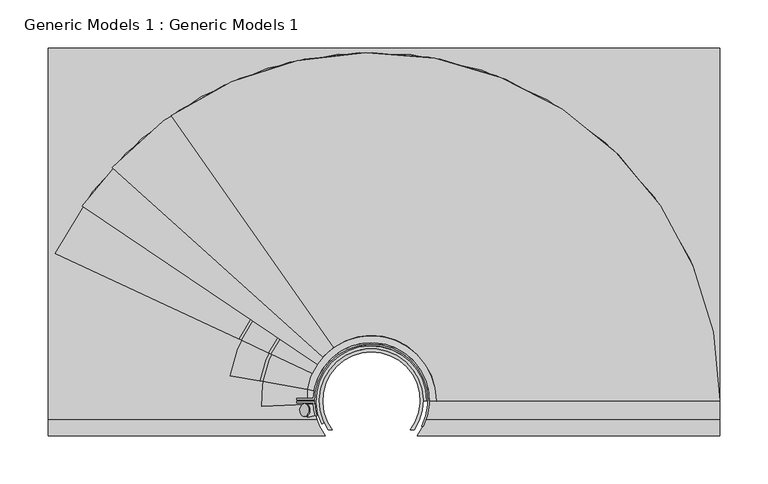
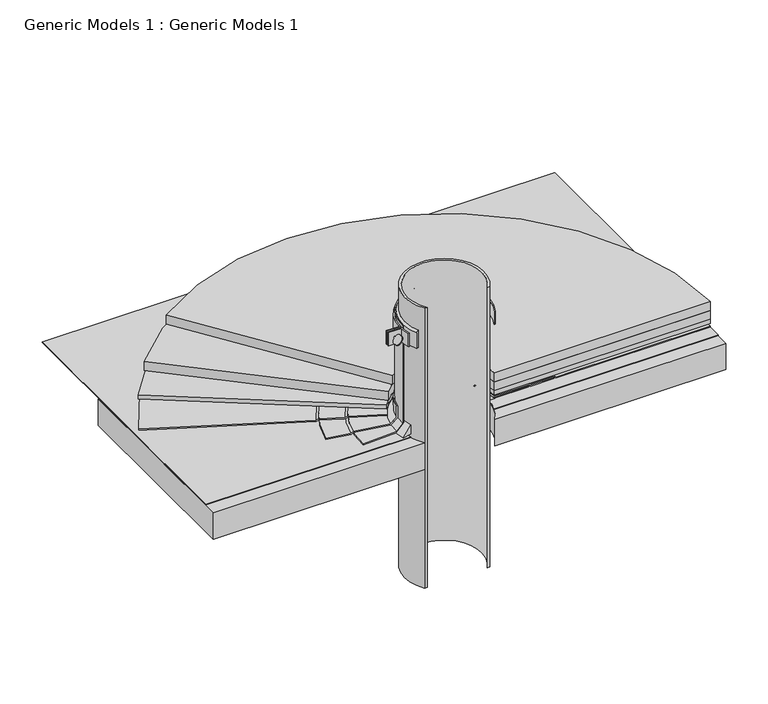
"""IFC4 building model written with IfcOpenShell, lengths in millimetres: proxy geometry, Generic Models 1 : Generic Models 1."""

from ifc_helpers import new_model, si_unit, point, frame, frame_2d, origin, place, context, project, spatial, polyline, circle_curve, ellipse_curve, trimmed, segment, composite_curve, outline, extrude, source, transform, mapped, element, save
from ifc_brep_helpers import plane_surface, cylinder_surface, revolved_surface, advanced_brep


def generic_models_1_generic_models_1_176c2abe(model_context):
    return source(origin(), model_context, "Body", "SolidModel", [
        extrude(outline(composite_curve([segment(trimmed(circle_curve(frame_2d((24.9249503, 26.8183165)), 362.4250497), [point((-182.9535181, 323.6995368))], [point((387.35, 26.8183165))], False, "CARTESIAN"), True, "CONTINUOUS"), segment(polyline([(387.35, 26.8183165), (92.8372607, 26.8183165)]), True, "CONTINUOUS"), segment(trimmed(circle_curve(frame_2d((24.9249503, 26.8183165)), 67.9123104), [point((92.8372607, 26.8183165))], [point((-14.0279507, 82.4488244))], True, "CARTESIAN"), True, "CONTINUOUS"), segment(polyline([(-14.0279507, 82.4488244), (-182.9535181, 323.6995368)]), True, "CONTINUOUS")], self_intersect=False)), frame((0.0, 0.0, 391.777659), z_axis=(0.0, 0.0, 1.0), x_axis=(1.0, 0.0, 0.0)), (0.0, 0.0, 1.0), 12.7),
        extrude(outline(composite_curve([segment(trimmed(circle_curve(frame_2d((24.9249503, 26.8183165)), 362.4250497), [point((-244.40935, 269.3280097))], [point((387.35, 26.8183165))], False, "CARTESIAN"), True, "CONTINUOUS"), segment(polyline([(387.35, 26.8183165), (92.8372607, 26.8183165)]), True, "CONTINUOUS"), segment(trimmed(circle_curve(frame_2d((24.9249503, 26.8183165)), 67.9123104), [point((92.8372607, 26.8183165))], [point((-25.5437317, 72.2605219))], True, "CARTESIAN"), True, "CONTINUOUS"), segment(polyline([(-25.5437317, 72.2605219), (-244.40935, 269.3280097)]), True, "CONTINUOUS")], self_intersect=False)), frame((0.0, 0.0, 379.077659), z_axis=(0.0, 0.0, 1.0), x_axis=(1.0, 0.0, 0.0)), (0.0, 0.0, 1.0), 12.7),
        extrude(outline(composite_curve([segment(trimmed(circle_curve(frame_2d((24.9249503, 26.8183165)), 362.4250497), [point((-275.5390331, 229.4838323))], [point((387.35, 26.8183165))], False, "CARTESIAN"), True, "CONTINUOUS"), segment(polyline([(387.35, 26.8183165), (92.8372607, 26.8183165)]), True, "CONTINUOUS"), segment(trimmed(circle_curve(frame_2d((24.9249503, 26.8183165)), 67.9123104), [point((92.8372607, 26.8183165))], [point((-31.3769066, 64.7943985))], True, "CARTESIAN"), True, "CONTINUOUS"), segment(polyline([(-31.3769066, 64.7943985), (-275.5390331, 229.4838323)]), True, "CONTINUOUS")], self_intersect=False)), frame((0.0, 0.0, 372.727659), z_axis=(0.0, 0.0, 1.0), x_axis=(1.0, 0.0, 0.0)), (0.0, 0.0, 1.0), 6.35),
        extrude(outline(composite_curve([segment(polyline([(-311.15, 261.3017557), (387.35, 261.3017557), (387.35, -9.6330364), (72.7898052, -9.6330364)]), True, "CONTINUOUS"), segment(trimmed(circle_curve(frame_2d((24.9249503, 26.8183165)), 60.1643206), [point((72.7898052, -9.6330364))], [point((-22.9399046, -9.6330364))], True, "CARTESIAN"), True, "CONTINUOUS"), segment(polyline([(-22.9399046, -9.6330364), (-311.15, -9.6330364), (-311.15, 261.3017557)]), True, "CONTINUOUS")], self_intersect=False)), frame((0.0, 0.0, 328.1998414), z_axis=(0.0, 0.0, 1.0), x_axis=(1.0, 0.0, 0.0)), (0.0, 0.0, 1.0), 38.1),
        extrude(outline(composite_curve([segment(trimmed(circle_curve(frame_2d((7.0940263, -1.1482682)), 6.6136328), [point((0.5808383, 0.0))], [point((0.5808383, -2.2965365))], False, "CARTESIAN"), True, "CONTINUOUS"), segment(polyline([(0.5808383, -2.2965365), (-0.2871582, -2.2965365), (-0.2871582, 0.0), (0.5808383, 0.0)]), True, "CONTINUOUS")], self_intersect=False)), frame((-42.7345771, 24.1499083, 506.1139344), z_axis=(-0.7071067811865462, 0.0, 0.7071067811865489), x_axis=(0.0, -1.0, 0.0)), (0.0, 0.0, 1.0), 1.5875),
        extrude(outline(composite_curve([segment(polyline([(-33.8071863, 27.6120665), (-52.8625497, 27.6120665), (-52.8625497, 29.1995665), (-35.353033, 29.1995665)]), True, "CONTINUOUS"), segment(trimmed(circle_curve(frame_2d((24.9249503, 26.8183165)), 60.325), [point((-35.353033, 29.1995665))], [point((78.9608969, 0.0))], False, "CARTESIAN"), True, "CONTINUOUS"), segment(polyline([(78.9608969, 0.0), (77.1826943, 0.0)]), True, "CONTINUOUS"), segment(trimmed(circle_curve(frame_2d((24.9249503, 26.8183165)), 58.7375), [point((77.1826943, 0.0))], [point((-33.8071863, 27.6120665))], True, "CARTESIAN"), True, "CONTINUOUS")], self_intersect=False)), frame((0.0, 0.0, 496.1427696), z_axis=(0.0, 0.0, 1.0), x_axis=(1.0, 0.0, 0.0)), (0.0, 0.0, 1.0), 19.05),
        extrude(outline(composite_curve([segment(trimmed(circle_curve(frame_2d((24.9249503, 26.8183165)), 60.325), [point((-33.3196456, 11.1125))], [point((-35.353033, 24.4370665))], False, "CARTESIAN"), True, "CONTINUOUS"), segment(polyline([(-35.353033, 24.4370665), (-52.8625497, 24.4370665), (-52.8625497, 26.0245665), (-33.8071863, 26.0245665)]), True, "CONTINUOUS"), segment(trimmed(circle_curve(frame_2d((24.9249503, 26.8183165)), 58.7375), [point((-33.8071863, 26.0245665))], [point((-31.6738238, 11.1125))], True, "CARTESIAN"), True, "CONTINUOUS"), segment(polyline([(-31.6738238, 11.1125), (-33.3196456, 11.1125)]), True, "CONTINUOUS")], self_intersect=False)), frame((0.0, 0.0, 496.1427696), z_axis=(0.0, 0.0, 1.0), x_axis=(1.0, 0.0, 0.0)), (0.0, 0.0, 1.0), 19.05),
        advanced_brep(
        [(78.8999503, 26.8183165, 520.9252815), (78.8999503, 26.8183165, 496.0797882), (82.0749503, 26.8183165, 496.0797882), (82.0749503, 26.8183165, 518.7101114), (-23.9930125, 4.0074958, 520.9252815), (-26.8705397, 2.6656828, 518.7101114), (-26.8705397, 2.6656828, 496.0797882), (-23.9930125, 4.0074958, 496.0797882)],
        [
            (0, 1),
            (1, 2),
            (2, 3),
            (3, 0, circle_curve(frame((77.9949597, 26.8183165, 516.2452133), z_axis=(0.0, -1.0, 0.0), x_axis=(1.0, 0.0, 0.0)), 4.7667648)),
            (4, 5, circle_curve(frame((-23.1728124, 4.3899614, 516.2452133), z_axis=(0.42261826174069284, -0.906307787036653, 0.0), x_axis=(-0.906307787036653, -0.42261826174069284, 0.0)), 4.7667648)),
            (5, 6),
            (6, 7),
            (7, 4),
            (7, 1, circle_curve(frame((24.9249503, 26.8183165, 496.0797882), z_axis=(0.0, 0.0, -1.0), x_axis=(1.0, 0.0, 0.0)), 53.975)),
            (0, 4, circle_curve(frame((24.9249503, 26.8183165, 520.9252815), z_axis=(0.0, 0.0, 1.0), x_axis=(1.0, 0.0, 0.0)), 53.975)),
            (6, 2, circle_curve(frame((24.9249503, 26.8183165, 496.0797882), z_axis=(0.0, 0.0, -1.0), x_axis=(1.0, 0.0, 0.0)), 57.15)),
            (5, 3, circle_curve(frame((24.9249503, 26.8183165, 518.7101114), z_axis=(0.0, 0.0, -1.0), x_axis=(1.0, 0.0, 0.0)), 57.15)),
        ],
        [
            plane_surface(frame((24.9249503, 26.8183165, 553.3315424), z_axis=(0.0, -1.0, 0.0), x_axis=(1.0, 0.0, 0.0))),
            plane_surface(frame((24.9249503, 26.8183165, 553.3315424), z_axis=(0.42261826174069284, -0.9063077870366532, 0.0), x_axis=(-0.9063077870366532, -0.42261826174069284, 0.0))),
            revolved_surface(polyline([(78.8999503, 26.8183165, 520.9252815), (78.8999503, 26.8183165, 496.0797882)]), (24.9249503, 26.8183165, 553.3315424), (0.0, 0.0, 1.0)),
            plane_surface(frame((24.9249503, 26.8183165, 496.0797882), z_axis=(0.0, 0.0, -1.0), x_axis=(1.0, 0.0, 0.0))),
            cylinder_surface(frame((24.9249503, 26.8183165, 553.3315424), z_axis=(0.0, 0.0, 1.0), x_axis=(1.0, 0.0, 0.0)), 57.15),
            revolved_surface(trimmed(ellipse_curve(frame((77.9949597, 26.8183165, 516.2452133), z_axis=(0.0, -1.0, 0.0), x_axis=(1.0, 0.0, 0.0)), 4.7667648, 4.7667648), [point((82.0749503, 26.8183165, 518.7101114))], [point((78.8999503, 26.8183165, 520.9252815))], True, "CARTESIAN"), (24.9249503, 26.8183165, 553.3315424), (0.0, 0.0, 1.0)),
        ],
        [
            (0, [[1, 2, 3, 4]]),
            (1, [[5, 6, 7, 8]]),
            (2, [[9, -1, 10, -8]]),
            (3, [[11, -2, -9, -7]]),
            (4, [[12, -3, -11, -6]]),
            (5, [[-10, -4, -12, -5]]),
        ],
    ),
        advanced_brep(
        [(139.6503197, 26.8183165, 371.140159), (142.5347345, 26.8183165, 369.4748414), (173.8593651, 26.8183165, 369.4748414), (176.74378, 26.8183165, 367.8095237), (387.35, 26.8183165, 367.8095237), (387.35, 26.8183165, 369.3970237), (177.1691493, 26.8183165, 369.3970237), (174.2847345, 26.8183165, 371.0623414), (142.9601038, 26.8183165, 371.0623414), (140.075689, 26.8183165, 372.727659), (92.8372607, 26.8183165, 372.727659), (92.8372607, 26.8183165, 371.140159), (-79.0515453, 75.3033527, 371.140159), (-36.6245054, 55.5192991, 371.140159), (-36.6245054, 55.5192991, 372.727659), (-79.4370608, 75.4831215, 372.727659), (-82.0512285, 76.7021279, 371.0623414), (-110.4409852, 89.9404889, 371.0623414), (-113.0551528, 91.1594952, 369.3970237), (-303.5436944, 179.985761, 369.3970237), (-303.5436944, 179.985761, 367.8095237), (-112.6696372, 90.9797264, 367.8095237), (-110.0554696, 89.76072, 369.4748414), (-81.6657129, 76.522359, 369.4748414)],
        [
            (0, 1),
            (1, 2),
            (2, 3),
            (3, 4),
            (4, 5),
            (5, 6),
            (6, 7),
            (7, 8),
            (8, 9),
            (9, 10),
            (10, 11),
            (11, 0),
            (12, 13),
            (13, 14),
            (14, 15),
            (15, 16),
            (16, 17),
            (17, 18),
            (18, 19),
            (19, 20),
            (20, 21),
            (21, 22),
            (22, 23),
            (23, 12),
            (22, 2, circle_curve(frame((24.9249503, 26.8183165, 369.4748414), z_axis=(0.0, 0.0, -1.0), x_axis=(1.0, 0.0, 0.0)), 148.9344148)),
            (1, 23, circle_curve(frame((24.9249503, 26.8183165, 369.4748414), z_axis=(0.0, 0.0, 1.0), x_axis=(1.0, 0.0, 0.0)), 117.6097842)),
            (0, 12, circle_curve(frame((24.9249503, 26.8183165, 371.140159), z_axis=(0.0, 0.0, 1.0), x_axis=(1.0, 0.0, 0.0)), 114.7253693)),
            (11, 13, circle_curve(frame((24.9249503, 26.8183165, 371.140159), z_axis=(0.0, 0.0, 1.0), x_axis=(1.0, 0.0, 0.0)), 67.9123104)),
            (21, 3, circle_curve(frame((24.9249503, 26.8183165, 367.8095237), z_axis=(0.0, 0.0, -1.0), x_axis=(1.0, 0.0, 0.0)), 151.8188297)),
            (20, 4, circle_curve(frame((24.9249503, 26.8183165, 367.8095237), z_axis=(0.0, 0.0, -1.0), x_axis=(1.0, 0.0, 0.0)), 362.4250497)),
            (19, 5, circle_curve(frame((24.9249503, 26.8183165, 369.3970237), z_axis=(0.0, 0.0, -1.0), x_axis=(1.0, 0.0, 0.0)), 362.4250497)),
            (18, 6, circle_curve(frame((24.9249503, 26.8183165, 369.3970237), z_axis=(0.0, 0.0, -1.0), x_axis=(1.0, 0.0, 0.0)), 152.244199)),
            (17, 7, circle_curve(frame((24.9249503, 26.8183165, 371.0623414), z_axis=(0.0, 0.0, -1.0), x_axis=(1.0, 0.0, 0.0)), 149.3597842)),
            (16, 8, circle_curve(frame((24.9249503, 26.8183165, 371.0623414), z_axis=(0.0, 0.0, -1.0), x_axis=(1.0, 0.0, 0.0)), 118.0351535)),
            (15, 9, circle_curve(frame((24.9249503, 26.8183165, 372.727659), z_axis=(0.0, 0.0, -1.0), x_axis=(1.0, 0.0, 0.0)), 115.1507387)),
            (14, 10, circle_curve(frame((24.9249503, 26.8183165, 372.727659), z_axis=(0.0, 0.0, -1.0), x_axis=(1.0, 0.0, 0.0)), 67.9123104)),
        ],
        [
            plane_surface(frame((24.9249503, 26.8183165, 553.3315424), z_axis=(0.0, -1.0, 0.0), x_axis=(1.0, 0.0, 0.0))),
            plane_surface(frame((24.9249503, 26.8183165, 553.3315424), z_axis=(-0.42261826174070477, -0.9063077870366475, 0.0), x_axis=(-0.9063077870366475, 0.42261826174070477, 0.0))),
            plane_surface(frame((24.9249503, 26.8183165, 369.4748414), z_axis=(0.0, 0.0, -1.0), x_axis=(1.0, 0.0, 0.0))),
            revolved_surface(polyline([(139.6503197, 26.8183165, 371.140159), (142.5347345, 26.8183165, 369.4748414)]), (24.9249503, 26.8183165, 553.3315424), (0.0, 0.0, 1.0)),
            plane_surface(frame((24.9249503, 26.8183165, 371.140159), z_axis=(0.0, 0.0, -1.0), x_axis=(1.0, 0.0, 0.0))),
            revolved_surface(polyline([(173.8593651, 26.8183165, 369.4748414), (176.74378, 26.8183165, 367.8095237)]), (24.9249503, 26.8183165, 553.3315424), (0.0, 0.0, 1.0)),
            plane_surface(frame((24.9249503, 26.8183165, 367.8095237), z_axis=(0.0, 0.0, -1.0), x_axis=(1.0, 0.0, 0.0))),
            cylinder_surface(frame((24.9249503, 26.8183165, 553.3315424), z_axis=(0.0, 0.0, 1.0), x_axis=(1.0, 0.0, 0.0)), 362.4250497),
            plane_surface(frame((24.9249503, 26.8183165, 369.3970237), z_axis=(0.0, 0.0, 1.0), x_axis=(1.0, 0.0, 0.0))),
            revolved_surface(polyline([(177.1691493, 26.8183165, 369.3970237), (174.2847345, 26.8183165, 371.0623414)]), (24.9249503, 26.8183165, 553.3315424), (0.0, 0.0, 1.0)),
            plane_surface(frame((24.9249503, 26.8183165, 371.0623414), z_axis=(0.0, 0.0, 1.0), x_axis=(1.0, 0.0, 0.0))),
            revolved_surface(polyline([(142.9601038, 26.8183165, 371.0623414), (140.075689, 26.8183165, 372.727659)]), (24.9249503, 26.8183165, 553.3315424), (0.0, 0.0, 1.0)),
            plane_surface(frame((24.9249503, 26.8183165, 372.727659), z_axis=(0.0, 0.0, 1.0), x_axis=(1.0, 0.0, 0.0))),
            revolved_surface(polyline([(92.8372607, 26.8183165, 372.727659), (92.8372607, 26.8183165, 371.140159)]), (24.9249503, 26.8183165, 553.3315424), (0.0, 0.0, 1.0)),
        ],
        [
            (0, [[1, 2, 3, 4, 5, 6, 7, 8, 9, 10, 11, 12]]),
            (1, [[13, 14, 15, 16, 17, 18, 19, 20, 21, 22, 23, 24]]),
            (2, [[25, -2, 26, -23]]),
            (3, [[-26, -1, 27, -24]]),
            (4, [[-27, -12, 28, -13]]),
            (5, [[29, -3, -25, -22]]),
            (6, [[30, -4, -29, -21]]),
            (7, [[31, -5, -30, -20]]),
            (8, [[32, -6, -31, -19]]),
            (9, [[33, -7, -32, -18]]),
            (10, [[34, -8, -33, -17]]),
            (11, [[35, -9, -34, -16]]),
            (12, [[36, -10, -35, -15]]),
            (13, [[-28, -11, -36, -14]]),
        ],
    ),
        advanced_brep(
        [(83.6624503, 26.8183165, 378.0699054), (92.1796967, 26.8183165, 369.552659), (139.2249503, 26.8183165, 369.552659), (142.1093651, 26.8183165, 367.8873414), (173.8593651, 26.8183165, 367.8873414), (173.8593651, 26.8183165, 369.4748414), (142.5347345, 26.8183165, 369.4748414), (139.6503197, 26.8183165, 371.140159), (92.8372607, 26.8183165, 371.140159), (85.2499503, 26.8183165, 378.7274694), (85.2499503, 26.8183165, 394.952659), (83.6624503, 26.8183165, 394.952659), (-32.9201951, 37.0179763, 378.0699054), (-32.9201951, 37.0179763, 394.952659), (-34.4835774, 37.2936428, 394.952659), (-34.4835774, 37.2936428, 378.7274694), (-41.9556195, 38.6111654, 371.140159), (-88.0574829, 46.7401678, 371.140159), (-90.898077, 47.2410412, 369.4748414), (-121.7468161, 52.6805062, 369.4748414), (-121.7468161, 52.6805062, 367.8873414), (-90.4791699, 47.1671766, 367.8873414), (-87.6385759, 46.6663032, 369.552659), (-41.3080453, 38.4969806, 369.552659)],
        [
            (0, 1),
            (1, 2),
            (2, 3),
            (3, 4),
            (4, 5),
            (5, 6),
            (6, 7),
            (7, 8),
            (8, 9),
            (9, 10),
            (10, 11),
            (11, 0),
            (12, 13),
            (13, 14),
            (14, 15),
            (15, 16),
            (16, 17),
            (17, 18),
            (18, 19),
            (19, 20),
            (20, 21),
            (21, 22),
            (22, 23),
            (23, 12),
            (22, 2, circle_curve(frame((24.9249503, 26.8183165, 369.552659), z_axis=(0.0, 0.0, -1.0), x_axis=(1.0, 0.0, 0.0)), 114.3)),
            (1, 23, circle_curve(frame((24.9249503, 26.8183165, 369.552659), z_axis=(0.0, 0.0, 1.0), x_axis=(1.0, 0.0, 0.0)), 67.2547464)),
            (0, 12, circle_curve(frame((24.9249503, 26.8183165, 378.0699054), z_axis=(0.0, 0.0, 1.0), x_axis=(1.0, 0.0, 0.0)), 58.7375)),
            (11, 13, circle_curve(frame((24.9249503, 26.8183165, 394.952659), z_axis=(0.0, 0.0, 1.0), x_axis=(1.0, 0.0, 0.0)), 58.7375)),
            (21, 3, circle_curve(frame((24.9249503, 26.8183165, 367.8873414), z_axis=(0.0, 0.0, -1.0), x_axis=(1.0, 0.0, 0.0)), 117.1844148)),
            (20, 4, circle_curve(frame((24.9249503, 26.8183165, 367.8873414), z_axis=(0.0, 0.0, -1.0), x_axis=(1.0, 0.0, 0.0)), 148.9344148)),
            (19, 5, circle_curve(frame((24.9249503, 26.8183165, 369.4748414), z_axis=(0.0, 0.0, -1.0), x_axis=(1.0, 0.0, 0.0)), 148.9344148)),
            (18, 6, circle_curve(frame((24.9249503, 26.8183165, 369.4748414), z_axis=(0.0, 0.0, -1.0), x_axis=(1.0, 0.0, 0.0)), 117.6097842)),
            (17, 7, circle_curve(frame((24.9249503, 26.8183165, 371.140159), z_axis=(0.0, 0.0, -1.0), x_axis=(1.0, 0.0, 0.0)), 114.7253693)),
            (16, 8, circle_curve(frame((24.9249503, 26.8183165, 371.140159), z_axis=(0.0, 0.0, -1.0), x_axis=(1.0, 0.0, 0.0)), 67.9123104)),
            (15, 9, circle_curve(frame((24.9249503, 26.8183165, 378.7274694), z_axis=(0.0, 0.0, -1.0), x_axis=(1.0, 0.0, 0.0)), 60.325)),
            (14, 10, circle_curve(frame((24.9249503, 26.8183165, 394.952659), z_axis=(0.0, 0.0, -1.0), x_axis=(1.0, 0.0, 0.0)), 60.325)),
        ],
        [
            plane_surface(frame((24.9249503, 26.8183165, 553.3315424), z_axis=(0.0, -1.0, 0.0), x_axis=(1.0, 0.0, 0.0))),
            plane_surface(frame((24.9249503, 26.8183165, 553.3315424), z_axis=(-0.17364817766693685, -0.984807753012207, 0.0), x_axis=(-0.984807753012207, 0.17364817766693685, 0.0))),
            plane_surface(frame((24.9249503, 26.8183165, 369.552659), z_axis=(0.0, 0.0, -1.0), x_axis=(1.0, 0.0, 0.0))),
            revolved_surface(polyline([(83.6624503, 26.8183165, 378.0699054), (92.1796967, 26.8183165, 369.552659)]), (24.9249503, 26.8183165, 553.3315424), (0.0, 0.0, 1.0)),
            revolved_surface(polyline([(83.66245029999999, 26.8183165, 394.952659), (83.66245029999999, 26.8183165, 378.0699054)]), (24.9249503, 26.8183165, 553.3315424), (0.0, 0.0, 1.0)),
            revolved_surface(polyline([(139.2249503, 26.8183165, 369.552659), (142.1093651, 26.8183165, 367.8873414)]), (24.9249503, 26.8183165, 553.3315424), (0.0, 0.0, 1.0)),
            plane_surface(frame((24.9249503, 26.8183165, 367.8873414), z_axis=(0.0, 0.0, -1.0), x_axis=(1.0, 0.0, 0.0))),
            cylinder_surface(frame((24.9249503, 26.8183165, 553.3315424), z_axis=(0.0, 0.0, 1.0), x_axis=(1.0, 0.0, 0.0)), 148.9344148),
            plane_surface(frame((24.9249503, 26.8183165, 369.4748414), z_axis=(0.0, 0.0, 1.0), x_axis=(1.0, 0.0, 0.0))),
            revolved_surface(polyline([(142.5347345, 26.8183165, 369.4748414), (139.6503197, 26.8183165, 371.140159)]), (24.9249503, 26.8183165, 553.3315424), (0.0, 0.0, 1.0)),
            plane_surface(frame((24.9249503, 26.8183165, 371.140159), z_axis=(0.0, 0.0, 1.0), x_axis=(1.0, 0.0, 0.0))),
            revolved_surface(polyline([(92.8372607, 26.8183165, 371.140159), (85.2499503, 26.8183165, 378.7274694)]), (24.9249503, 26.8183165, 553.3315424), (0.0, 0.0, 1.0)),
            cylinder_surface(frame((24.9249503, 26.8183165, 553.3315424), z_axis=(0.0, 0.0, 1.0), x_axis=(1.0, 0.0, 0.0)), 60.325),
            plane_surface(frame((24.9249503, 26.8183165, 394.952659), z_axis=(0.0, 0.0, 1.0), x_axis=(1.0, 0.0, 0.0))),
        ],
        [
            (0, [[1, 2, 3, 4, 5, 6, 7, 8, 9, 10, 11, 12]]),
            (1, [[13, 14, 15, 16, 17, 18, 19, 20, 21, 22, 23, 24]]),
            (2, [[25, -2, 26, -23]]),
            (3, [[-26, -1, 27, -24]]),
            (4, [[-27, -12, 28, -13]]),
            (5, [[29, -3, -25, -22]]),
            (6, [[30, -4, -29, -21]]),
            (7, [[31, -5, -30, -20]]),
            (8, [[32, -6, -31, -19]]),
            (9, [[33, -7, -32, -18]]),
            (10, [[34, -8, -33, -17]]),
            (11, [[35, -9, -34, -16]]),
            (12, [[36, -10, -35, -15]]),
            (13, [[-28, -11, -36, -14]]),
        ],
    ),
        advanced_brep(
        [(139.2249503, 26.8183165, 367.965159), (139.2249503, 26.8183165, 369.552659), (92.1796967, 26.8183165, 369.552659), (83.6624503, 26.8183165, 378.0699054), (83.6624503, 26.8183165, 518.7101114), (82.0749503, 26.8183165, 518.7101114), (82.0749503, 26.8183165, 377.4123414), (91.5221326, 26.8183165, 367.965159), (-89.2179094, 20.8268587, 367.965159), (-41.5806739, 23.3273786, 367.965159), (-32.1464796, 23.8225876, 377.4123414), (-32.1464796, 23.8225876, 518.7101114), (-33.7317971, 23.7393729, 518.7101114), (-33.7317971, 23.7393729, 378.0699054), (-42.2373339, 23.2929099, 369.552659), (-89.2179094, 20.8268587, 369.552659)],
        [
            (0, 1),
            (1, 2),
            (2, 3),
            (3, 4),
            (4, 5),
            (5, 6),
            (6, 7),
            (7, 0),
            (8, 9),
            (9, 10),
            (10, 11),
            (11, 12),
            (12, 13),
            (13, 14),
            (14, 15),
            (15, 8),
            (15, 1, circle_curve(frame((24.9249503, 26.8183165, 369.552659), z_axis=(0.0, 0.0, -1.0), x_axis=(1.0, 0.0, 0.0)), 114.3)),
            (0, 8, circle_curve(frame((24.9249503, 26.8183165, 367.965159), z_axis=(0.0, 0.0, 1.0), x_axis=(1.0, 0.0, 0.0)), 114.3)),
            (14, 2, circle_curve(frame((24.9249503, 26.8183165, 369.552659), z_axis=(0.0, 0.0, -1.0), x_axis=(1.0, 0.0, 0.0)), 67.2547464)),
            (13, 3, circle_curve(frame((24.9249503, 26.8183165, 378.0699054), z_axis=(0.0, 0.0, -1.0), x_axis=(1.0, 0.0, 0.0)), 58.7375)),
            (12, 4, circle_curve(frame((24.9249503, 26.8183165, 518.7101114), z_axis=(0.0, 0.0, -1.0), x_axis=(1.0, 0.0, 0.0)), 58.7375)),
            (11, 5, circle_curve(frame((24.9249503, 26.8183165, 518.7101114), z_axis=(0.0, 0.0, -1.0), x_axis=(1.0, 0.0, 0.0)), 57.15)),
            (10, 6, circle_curve(frame((24.9249503, 26.8183165, 377.4123414), z_axis=(0.0, 0.0, -1.0), x_axis=(1.0, 0.0, 0.0)), 57.15)),
            (9, 7, circle_curve(frame((24.9249503, 26.8183165, 367.965159), z_axis=(0.0, 0.0, -1.0), x_axis=(1.0, 0.0, 0.0)), 66.5971823)),
        ],
        [
            plane_surface(frame((24.9249503, 26.8183165, 553.3315424), z_axis=(0.0, -1.0, 0.0), x_axis=(1.0, 0.0, 0.0))),
            plane_surface(frame((24.9249503, 26.8183165, 553.3315424), z_axis=(0.05241870301951153, -0.9986251947421277, 0.0), x_axis=(-0.9986251947421277, -0.05241870301951153, 0.0))),
            cylinder_surface(frame((24.9249503, 26.8183165, 553.3315424), z_axis=(0.0, 0.0, 1.0), x_axis=(1.0, 0.0, 0.0)), 114.3),
            plane_surface(frame((24.9249503, 26.8183165, 369.552659), z_axis=(0.0, 0.0, 1.0), x_axis=(1.0, 0.0, 0.0))),
            revolved_surface(polyline([(92.1796967, 26.8183165, 369.552659), (83.6624503, 26.8183165, 378.0699054)]), (24.9249503, 26.8183165, 553.3315424), (0.0, 0.0, 1.0)),
            cylinder_surface(frame((24.9249503, 26.8183165, 553.3315424), z_axis=(0.0, 0.0, 1.0), x_axis=(1.0, 0.0, 0.0)), 58.7375),
            plane_surface(frame((24.9249503, 26.8183165, 518.7101114), z_axis=(0.0, 0.0, 1.0), x_axis=(1.0, 0.0, 0.0))),
            revolved_surface(polyline([(82.0749503, 26.8183165, 518.7101114), (82.0749503, 26.8183165, 377.4123414)]), (24.9249503, 26.8183165, 553.3315424), (0.0, 0.0, 1.0)),
            revolved_surface(polyline([(82.0749503, 26.8183165, 377.4123414), (91.5221326, 26.8183165, 367.965159)]), (24.9249503, 26.8183165, 553.3315424), (0.0, 0.0, 1.0)),
            plane_surface(frame((24.9249503, 26.8183165, 367.965159), z_axis=(0.0, 0.0, -1.0), x_axis=(1.0, 0.0, 0.0))),
        ],
        [
            (0, [[1, 2, 3, 4, 5, 6, 7, 8]]),
            (1, [[9, 10, 11, 12, 13, 14, 15, 16]]),
            (2, [[17, -1, 18, -16]]),
            (3, [[19, -2, -17, -15]]),
            (4, [[20, -3, -19, -14]]),
            (5, [[21, -4, -20, -13]]),
            (6, [[22, -5, -21, -12]]),
            (7, [[23, -6, -22, -11]]),
            (8, [[24, -7, -23, -10]]),
            (9, [[-18, -8, -24, -9]]),
        ],
    ),
        advanced_brep(
        [(80.4863383, 26.4667976, 380.5873414), (80.4863383, 26.4667976, 367.8873414), (93.1860842, 26.3864504, 367.8873414), (-28.840273, 12.8007502, 380.5873414), (-41.1294669, 9.5967351, 367.8873414), (-28.840273, 12.8007502, 367.8873414)],
        [
            (0, 1),
            (1, 2),
            (2, 0),
            (3, 4),
            (4, 5),
            (5, 3),
            (5, 1, circle_curve(frame((24.9249503, 26.8183165, 367.8873414), z_axis=(0.0, 0.0, -1.0), x_axis=(0.9999799871872431, -0.006326549217469668, 0.0)), 55.5625)),
            (0, 3, circle_curve(frame((24.9249503, 26.8183165, 380.5873414), z_axis=(0.0, 0.0, 1.0), x_axis=(0.9999799871872431, -0.006326549217469668, 0.0)), 55.5625)),
            (4, 2, circle_curve(frame((24.9249503, 26.8183165, 367.8873414), z_axis=(0.0, 0.0, -1.0), x_axis=(0.9999799871872431, -0.006326549217469668, 0.0)), 68.2625)),
        ],
        [
            plane_surface(frame((80.4863383, 26.4667976, 367.8873414), z_axis=(-0.006326549217469697, -0.9999799871872432, 0.0), x_axis=(0.0, 0.0, 1.0))),
            plane_surface(frame((-28.840273, 12.8007502, 367.8873414), z_axis=(0.25228465749856094, -0.9676530636497949, 0.0), x_axis=(0.0, 0.0, 1.0))),
            revolved_surface(polyline([(80.4863383380912, 26.466797609104344, 380.5873414), (80.4863383380912, 26.466797609104344, 367.8873414)]), (24.9249503, 26.8183165, 367.8873414), (0.0, 0.0, 1.0)),
            plane_surface(frame((24.9249503, 26.8183165, 367.8873414), z_axis=(0.0, 0.0, -1.0000000000000002), x_axis=(0.9999799871872432, -0.006326549217469669, 0.0))),
            revolved_surface(polyline([(93.1860842, 26.3864504, 367.8873414), (80.4863383, 26.4667976, 380.5873414)]), (24.9249503, 26.8183165, 367.8873414), (0.0, 0.0, 1.0)),
        ],
        [
            (0, [[1, 2, 3]]),
            (1, [[4, 5, 6]]),
            (2, [[7, -1, 8, -6]]),
            (3, [[9, -2, -7, -5]]),
            (4, [[-8, -3, -9, -4]]),
        ],
    ),
        extrude(outline(composite_curve([segment(polyline([(-311.15, 393.8469389), (387.35, 393.8469389), (387.35, 7.5776616), (81.9297104, 7.5776616)]), True, "CONTINUOUS"), segment(trimmed(circle_curve(frame_2d((24.9249503, 26.8183165)), 60.1643206), [point((81.9297104, 7.5776616))], [point((-32.0798097, 7.5776616))], True, "CARTESIAN"), True, "CONTINUOUS"), segment(polyline([(-32.0798097, 7.5776616), (-311.15, 7.5776616), (-311.15, 393.8469389)]), True, "CONTINUOUS")], self_intersect=False)), frame((0.0, 0.0, 367.0935914), z_axis=(0.0, 0.0, 1.0), x_axis=(1.0, 0.0, 0.0)), (0.0, 0.0, 1.0), 0.79375),
        extrude(outline(composite_curve([segment(polyline([(-15.7164484, -3.6598185), (-19.6214739, -3.6598185)]), True, "CONTINUOUS"), segment(trimmed(circle_curve(frame_2d((24.9249503, 26.8183165)), 53.975), [point((-19.6214739, -3.6598185))], [point((69.4713745, -3.6598185))], False, "CARTESIAN"), True, "CONTINUOUS"), segment(polyline([(69.4713745, -3.6598185), (65.566349, -3.6598185)]), True, "CONTINUOUS"), segment(trimmed(circle_curve(frame_2d((24.9249503, 26.8183165)), 50.8), [point((65.566349, -3.6598185))], [point((-15.7164484, -3.6598185))], True, "CARTESIAN"), True, "CONTINUOUS")], self_intersect=False)), frame((0.0, 0.0, 151.6905235), z_axis=(0.0, 0.0, 1.0), x_axis=(1.0, 0.0, 0.0)), (0.0, 0.0, 1.0), 403.9969481),
    ])


if __name__ == "__main__":
    model = new_model("IFC4")
    model_context = context("Model", 3, world=origin())
    ifc_project = project(units=[si_unit("LENGTHUNIT", "METRE", prefix="MILLI")], contexts=[model_context])
    site = spatial("IfcSite", under=ifc_project)
    building = spatial("IfcBuilding", under=site)
    placement = place(None, origin())
    generic_models_1_generic_models_1_shape = generic_models_1_generic_models_1_176c2abe(model_context)
    element("IfcBuildingElementProxy", 1, Name="Generic Models 1 : Generic Models 1", ObjectType="Generic Models 1 : Generic Models 1", at=placement, inside=building, context=model_context, shape_type="MappedRepresentation", body=[
        mapped(generic_models_1_generic_models_1_shape, transform((0.0, 0.0, 0.0), x_axis=(1.0, 0.0, 0.0), y_axis=(0.0, 1.0, 0.0), z_axis=(0.0, 0.0, 1.0))),
    ])
    save(model, "model.ifc")
